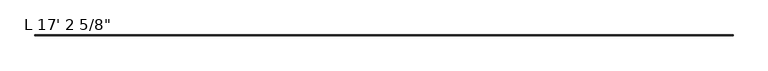
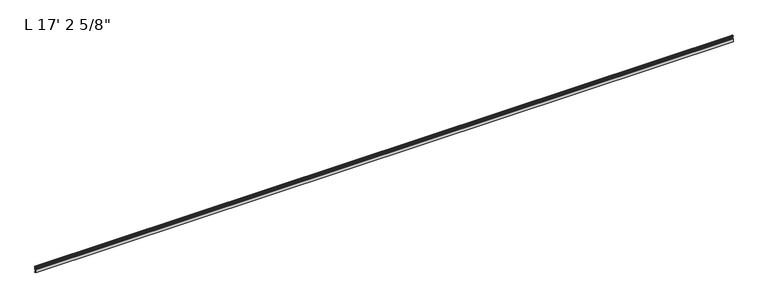
"""IFC4 building model written with IfcOpenShell, lengths in millimetres: proxy geometry."""

from ifc_helpers import new_model, si_unit, point, frame, frame_2d, origin, place, context, project, spatial, polyline, circle_curve, trimmed, segment, composite_curve, outline, extrude, source, transform, mapped, element, save


def proxy_94f13f72(model_context):
    return source(origin(), model_context, "Body", "SweptSolid", [
        extrude(outline(composite_curve([segment(polyline([(19.05, 16.8792515), (11.1125, 16.8792515), (11.1125, 42.2833359), (15.875, 42.2833359)]), True, "CONTINUOUS"), segment(trimmed(circle_curve(frame_2d((15.875, 43.8708359)), 1.5875), [point((15.875, 42.2833359))], [point((17.4625, 43.8708359))], True, "CARTESIAN"), True, "CONTINUOUS"), segment(polyline([(17.4625, 43.8708359), (17.4625, 46.2494644), (17.9716639, 47.166884), (17.9716639, 48.5070448), (17.4625, 49.4244644), (17.4625, 60.6120764)]), True, "CONTINUOUS"), segment(trimmed(circle_curve(frame_2d((16.9545, 60.6120764)), 0.508), [point((17.4625, 60.6120764))], [point((16.9376166, 61.1197958))], True, "CARTESIAN"), True, "CONTINUOUS"), segment(trimmed(circle_curve(frame_2d((16.9169378, 60.3580764)), 0.762), [point((16.9376166, 61.1197958))], [point((16.1779173, 60.1723546))], True, "CARTESIAN"), True, "CONTINUOUS"), segment(trimmed(circle_curve(frame_2d((15.6245238, 60.0332823)), 0.5706009), [point((16.1779173, 60.1723546))], [point((15.4364113, 59.4945809))], False, "CARTESIAN"), True, "CONTINUOUS"), segment(polyline([(15.4364113, 59.4945809), (13.6400687, 60.05524)]), True, "CONTINUOUS"), segment(trimmed(circle_curve(frame_2d((14.5481808, 62.9648167)), 3.048), [point((13.6400687, 60.05524))], [point((11.9462301, 64.5523167))], False, "CARTESIAN"), True, "CONTINUOUS"), segment(trimmed(circle_curve(frame_2d((14.5481808, 62.9648167)), 3.048), [point((11.9462301, 64.5523167))], [point((13.6400687, 65.8743933))], False, "CARTESIAN"), True, "CONTINUOUS"), segment(polyline([(13.6400687, 65.8743933), (15.4750158, 66.4471012)]), True, "CONTINUOUS"), segment(trimmed(circle_curve(frame_2d((15.6853088, 66.0271866)), 0.4696291), [point((15.4750158, 66.4471012))], [point((16.1549378, 66.0271866))], False, "CARTESIAN"), True, "CONTINUOUS"), segment(polyline([(16.1549378, 66.0271866), (16.1549378, 64.4855764)]), True, "CONTINUOUS"), segment(trimmed(circle_curve(frame_2d((17.7424378, 64.4855764)), 1.5875), [point((16.1549378, 64.4855764))], [point((17.7424378, 62.8980764))], True, "CARTESIAN"), True, "CONTINUOUS"), segment(polyline([(17.7424378, 62.8980764), (19.05, 62.8980764), (19.05, 42.2605764)]), True, "CONTINUOUS"), segment(trimmed(circle_curve(frame_2d((17.4625, 42.2605764)), 1.5875), [point((19.05, 42.2605764))], [point((17.4625, 40.6730764))], False, "CARTESIAN"), True, "CONTINUOUS"), segment(polyline([(17.4625, 40.6730764), (12.7, 40.6730764), (12.7, 18.4667515), (17.4625, 18.4667515), (17.4625, 20.0542515), (19.05, 20.0542515), (19.05, 16.8792515)]), True, "CONTINUOUS")], self_intersect=False)), frame((-4943.475, 0.0, 0.0), z_axis=(1.0, 0.0, 0.0), x_axis=(0.0, 1.0, 0.0)), (0.0, 0.0, 1.0), 5248.275),
    ])


if __name__ == "__main__":
    model = new_model("IFC4")
    model_context = context("Model", 3, world=origin())
    ifc_project = project(units=[si_unit("LENGTHUNIT", "METRE", prefix="MILLI")], contexts=[model_context])
    site = spatial("IfcSite", under=ifc_project)
    building = spatial("IfcBuilding", under=site)
    placement = place(None, origin())
    proxy_shape = proxy_94f13f72(model_context)
    element("IfcBuildingElementProxy", 1, Name="L 17' 2 5/8\"", ObjectType="L 17' 2 5/8\"", at=placement, inside=building, context=model_context, shape_type="MappedRepresentation", body=[
        mapped(proxy_shape, transform((0.0, 0.0, 0.0), x_axis=(1.0, 0.0, 0.0), y_axis=(0.0, 1.0, 0.0), z_axis=(0.0, 0.0, 1.0))),
    ])
    save(model, "model.ifc")
